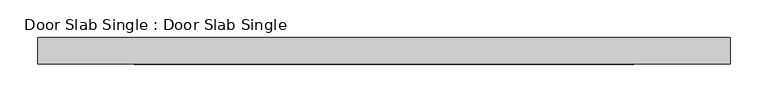
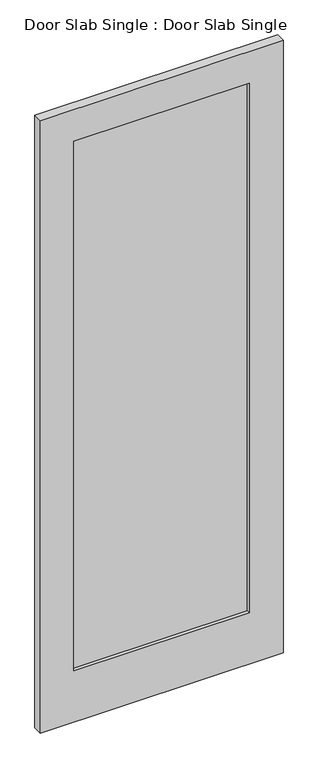
"""IFC4 building model written with IfcOpenShell, lengths in millimetres: proxy geometry, Door Slab Single : Door Slab Single."""

from ifc_helpers import new_model, si_unit, frame, origin, place, context, project, spatial, polyline, outline, extrude, source, transform, mapped, element, save


def door_slab_single_door_slab_single_024aed8e(model_context):
    return source(origin(), model_context, "Body", "SweptSolid", [
        extrude(outline(polyline([(330.2, 3.175), (330.2, -3.175), (-330.2, -3.175), (-330.2, 3.175), (330.2, 3.175)])), frame((0.0, 0.0, 203.2), z_axis=(0.0, 0.0, 1.0), x_axis=(1.0, 0.0, 0.0)), (0.0, 0.0, 1.0), 2108.2),
        extrude(outline(polyline([(0.0, 457.2), (2438.4, 457.2), (2438.4, -457.2), (0.0, -457.2), (0.0, 457.2)]), holes=[polyline([(203.2, 330.2), (203.2, -330.2), (2311.4, -330.2), (2311.4, 330.2), (203.2, 330.2)])]), frame((0.0, -17.4625, 0.0), z_axis=(0.0, 1.0, 0.0), x_axis=(0.0, 0.0, 1.0)), (0.0, 0.0, 1.0), 34.925),
    ])


if __name__ == "__main__":
    model = new_model("IFC4")
    model_context = context("Model", 3, world=origin())
    ifc_project = project(units=[si_unit("LENGTHUNIT", "METRE", prefix="MILLI")], contexts=[model_context])
    site = spatial("IfcSite", under=ifc_project)
    building = spatial("IfcBuilding", under=site)
    placement = place(None, origin())
    door_slab_single_door_slab_single_shape = door_slab_single_door_slab_single_024aed8e(model_context)
    element("IfcBuildingElementProxy", 1, Name="Door Slab Single : Door Slab Single", ObjectType="Door Slab Single : Door Slab Single", at=placement, inside=building, context=model_context, shape_type="MappedRepresentation", body=[
        mapped(door_slab_single_door_slab_single_shape, transform((0.0, 0.0, 0.0), x_axis=(1.0, 0.0, 0.0), y_axis=(0.0, 1.0, 0.0), z_axis=(0.0, 0.0, 1.0))),
    ])
    save(model, "model.ifc")
